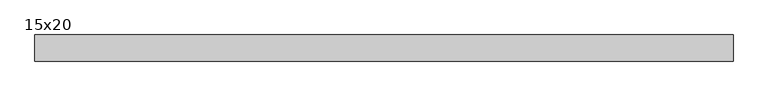
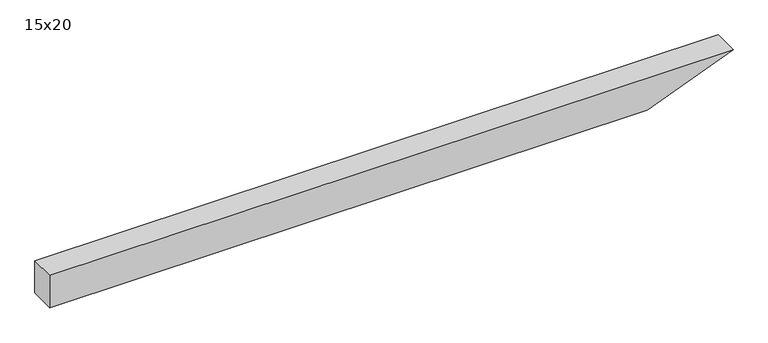
"""IFC4 building model written with IfcOpenShell, lengths in millimetres: beam geometry, 15x20."""

from ifc_helpers import new_model, si_unit, frame, origin, place, context, project, spatial, polyline, outline, extrude, source, transform, mapped, element, save


def beam_15x20_724d1438(model_context):
    return source(origin(), model_context, "Body", "SweptSolid", [
        extrude(outline(polyline([(100.0, -1847.5), (-100.0, -1847.5), (-100.0, 1658.3), (100.0, 2160.5), (100.0, -1847.5)])), frame((0.0, -75.0, 0.0), z_axis=(0.0, 1.0, 0.0), x_axis=(0.0, 0.0, 1.0)), (0.0, 0.0, 1.0), 150.0),
    ])


if __name__ == "__main__":
    model = new_model("IFC4")
    model_context = context("Model", 3, world=origin())
    ifc_project = project(units=[si_unit("LENGTHUNIT", "METRE", prefix="MILLI")], contexts=[model_context])
    site = spatial("IfcSite", under=ifc_project)
    building = spatial("IfcBuilding", under=site)
    placement = place(None, origin())
    beam_15x20_shape = beam_15x20_724d1438(model_context)
    element("IfcBeam", 1, ObjectType="15x20", at=placement, inside=building, context=model_context, shape_type="MappedRepresentation", body=[
        mapped(beam_15x20_shape, transform((0.0, 0.0, 0.0), x_axis=(1.0, 0.0, 0.0), y_axis=(0.0, 1.0, 0.0), z_axis=(0.0, 0.0, 1.0))),
    ])
    save(model, "model.ifc")
